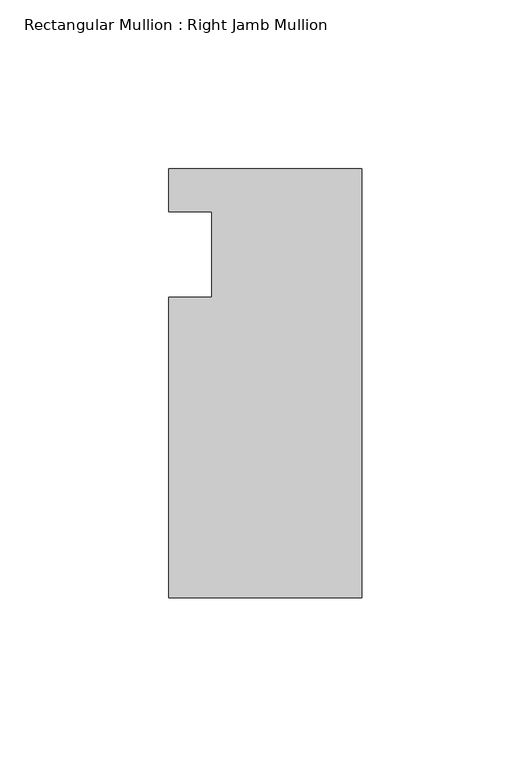
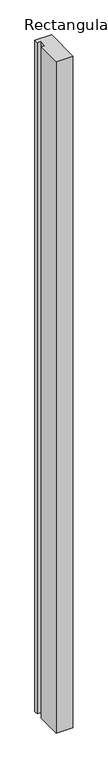
"""IFC4 building model written with IfcOpenShell, lengths in millimetres: member geometry, Rectangular Mullion : Right Jamb Mullion."""

from ifc_helpers import new_model, si_unit, frame, origin, place, context, project, spatial, polyline, outline, extrude, source, transform, mapped, element, save


def rectangular_mullion_right_jamb_mullion_059d7d6e(model_context):
    return source(origin(), model_context, "Body", "SweptSolid", [
        extrude(outline(polyline([(0.0, -101.6), (-57.15, -101.6), (-57.15, -12.6374164), (-44.45, -12.6374164), (-44.45, 12.7625836), (-57.15, 12.7625836), (-57.15, 25.4), (0.0, 25.4), (0.0, -101.6)])), frame((0.0, 0.0, -2438.4), z_axis=(0.0, 0.0, 1.0), x_axis=(1.0, 0.0, 0.0)), (0.0, 0.0, 1.0), 2438.4),
    ])


if __name__ == "__main__":
    model = new_model("IFC4")
    model_context = context("Model", 3, world=origin())
    ifc_project = project(units=[si_unit("LENGTHUNIT", "METRE", prefix="MILLI")], contexts=[model_context])
    site = spatial("IfcSite", under=ifc_project)
    building = spatial("IfcBuilding", under=site)
    placement = place(None, origin())
    rectangular_mullion_right_jamb_mullion_shape = rectangular_mullion_right_jamb_mullion_059d7d6e(model_context)
    element("IfcMember", 1, ObjectType="Rectangular Mullion : Right Jamb Mullion", at=placement, inside=building, context=model_context, shape_type="MappedRepresentation", body=[
        mapped(rectangular_mullion_right_jamb_mullion_shape, transform((0.0, 0.0, 0.0), x_axis=(1.0, 0.0, 0.0), y_axis=(0.0, 1.0, 0.0), z_axis=(0.0, 0.0, 1.0))),
    ])
    save(model, "model.ifc")
